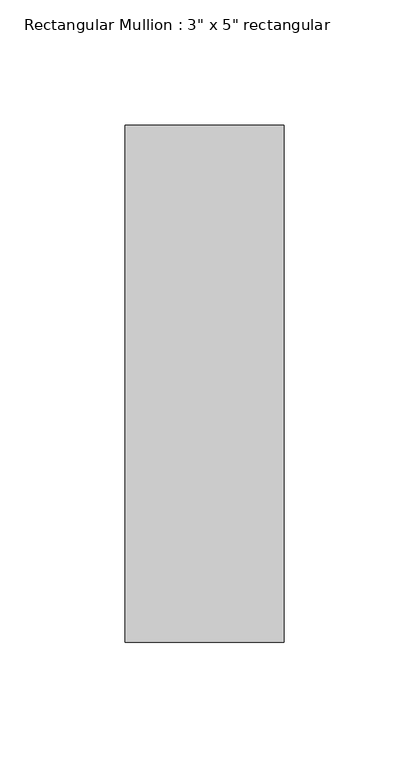
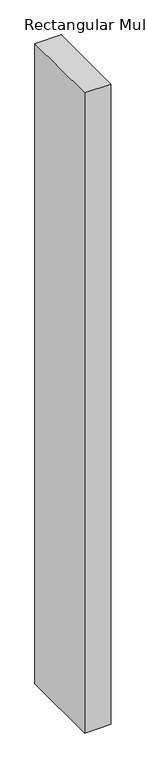
"""IFC4 building model written with IfcOpenShell, lengths in millimetres: member geometry."""

from ifc_helpers import new_model, si_unit, frame, origin, place, context, project, spatial, polyline, outline, extrude, source, transform, mapped, element, save


def member_92eafd62(model_context):
    return source(origin(), model_context, "Body", "SweptSolid", [
        extrude(outline(polyline([(31.75, 90.551), (31.75, -115.951), (-31.75, -115.951), (-31.75, 90.551), (31.75, 90.551)])), frame((0.0, 0.0, -1625.6), z_axis=(0.0, 0.0, 1.0), x_axis=(1.0, 0.0, 0.0)), (0.0, 0.0, 1.0), 1625.6),
    ])


if __name__ == "__main__":
    model = new_model("IFC4")
    model_context = context("Model", 3, world=origin())
    ifc_project = project(units=[si_unit("LENGTHUNIT", "METRE", prefix="MILLI")], contexts=[model_context])
    site = spatial("IfcSite", under=ifc_project)
    building = spatial("IfcBuilding", under=site)
    placement = place(None, origin())
    member_shape = member_92eafd62(model_context)
    element("IfcMember", 1, ObjectType="Rectangular Mullion : 3\" x 5\" rectangular", at=placement, inside=building, context=model_context, shape_type="MappedRepresentation", body=[
        mapped(member_shape, transform((0.0, 0.0, 0.0), x_axis=(1.0, 0.0, 0.0), y_axis=(0.0, 1.0, 0.0), z_axis=(0.0, 0.0, 1.0))),
    ])
    save(model, "model.ifc")
